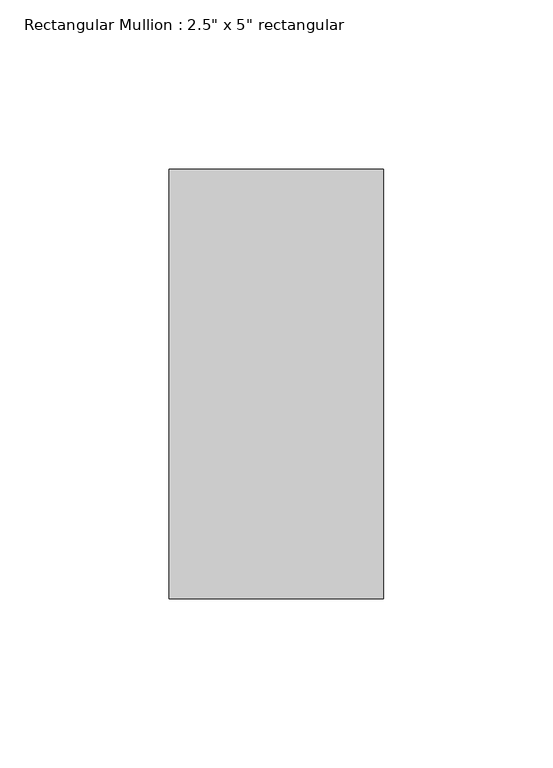
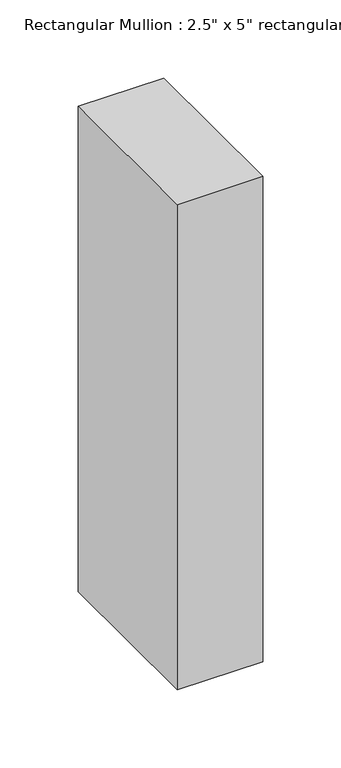
"""IFC4 building model written with IfcOpenShell, lengths in millimetres: member geometry."""

from ifc_helpers import new_model, si_unit, frame, origin, place, context, project, spatial, polyline, outline, extrude, source, transform, mapped, element, save


def member_92fb06fa(model_context):
    return source(origin(), model_context, "Body", "SweptSolid", [
        extrude(outline(polyline([(31.75, 63.5), (31.75, -63.5), (-31.75, -63.5), (-31.75, 63.5), (31.75, 63.5)])), frame((0.0, 0.0, -379.6579791), z_axis=(0.0, 0.0, 1.0), x_axis=(1.0, 0.0, 0.0)), (0.0, 0.0, 1.0), 379.6579791),
    ])


if __name__ == "__main__":
    model = new_model("IFC4")
    model_context = context("Model", 3, world=origin())
    ifc_project = project(units=[si_unit("LENGTHUNIT", "METRE", prefix="MILLI")], contexts=[model_context])
    site = spatial("IfcSite", under=ifc_project)
    building = spatial("IfcBuilding", under=site)
    placement = place(None, origin())
    member_shape = member_92fb06fa(model_context)
    element("IfcMember", 1, ObjectType="Rectangular Mullion : 2.5\" x 5\" rectangular", at=placement, inside=building, context=model_context, shape_type="MappedRepresentation", body=[
        mapped(member_shape, transform((0.0, 0.0, 0.0), x_axis=(1.0, 0.0, 0.0), y_axis=(0.0, 1.0, 0.0), z_axis=(0.0, 0.0, 1.0))),
    ])
    save(model, "model.ifc")
